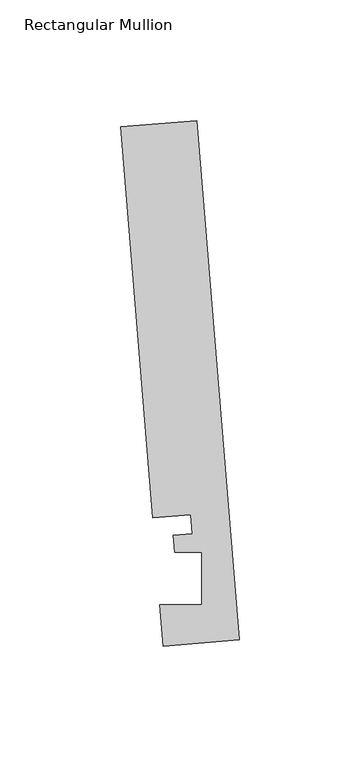
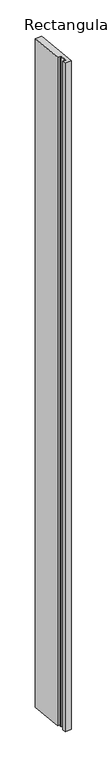
"""IFC4 building model written with IfcOpenShell, lengths in millimetres: member geometry, Rectangular Mullion."""

from ifc_helpers import new_model, si_unit, frame, origin, place, context, project, spatial, polyline, outline, extrude, source, transform, mapped, element, save


def rectangular_mullion_6a8bdb78(model_context):
    return source(origin(), model_context, "Body", "SweptSolid", [
        extrude(outline(polyline([(-0.2190396, 2.6699364), (-31.8627302, 0.0739116), (-33.2772473, 17.315866), (-15.8506254, 17.315866), (-15.848851, 38.9474576), (-27.100463, 38.9474576), (-27.6861262, 46.0862742), (-19.7625461, 46.7363188), (-20.4084371, 54.6092691), (-36.2302824, 53.3112566), (-49.5364672, 215.5041572), (-17.8927766, 218.100182), (-0.2190396, 2.6699364)])), frame((0.0, 0.0, -3365.0988948), z_axis=(0.0, 0.0, 1.0), x_axis=(1.0, 0.0, 0.0)), (0.0, 0.0, 1.0), 3365.0988948),
    ])


if __name__ == "__main__":
    model = new_model("IFC4")
    model_context = context("Model", 3, world=origin())
    ifc_project = project(units=[si_unit("LENGTHUNIT", "METRE", prefix="MILLI")], contexts=[model_context])
    site = spatial("IfcSite", under=ifc_project)
    building = spatial("IfcBuilding", under=site)
    placement = place(None, origin())
    rectangular_mullion_shape = rectangular_mullion_6a8bdb78(model_context)
    element("IfcMember", 1, ObjectType="Rectangular Mullion", at=placement, inside=building, context=model_context, shape_type="MappedRepresentation", body=[
        mapped(rectangular_mullion_shape, transform((0.0, 0.0, 0.0), x_axis=(1.0, 0.0, 0.0), y_axis=(0.0, 1.0, 0.0), z_axis=(0.0, 0.0, 1.0))),
    ])
    save(model, "model.ifc")
